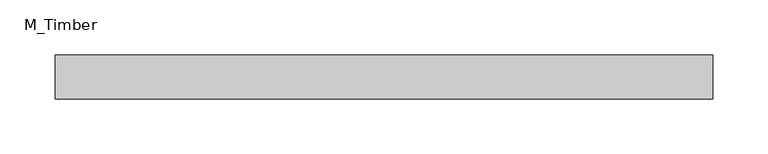
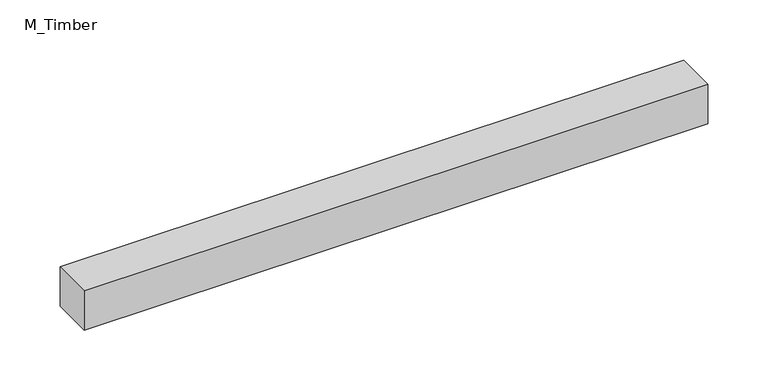
"""IFC4 building model written with IfcOpenShell, lengths in millimetres: beam geometry, M_Timber."""

from ifc_helpers import new_model, si_unit, frame, origin, place, context, project, spatial, polyline, outline, extrude, source, transform, mapped, element, save


def m_timber_326093ab(model_context):
    return source(origin(), model_context, "Body", "SweptSolid", [
        extrude(outline(polyline([(298.2074134, 20.0), (298.2074134, -20.0), (-298.2074134, -20.0), (-298.2074134, 20.0), (298.2074134, 20.0)])), frame((0.0, 0.0, -20.0), z_axis=(0.0, 0.0, 1.0), x_axis=(1.0, 0.0, 0.0)), (0.0, 0.0, 1.0), 40.0),
    ])


if __name__ == "__main__":
    model = new_model("IFC4")
    model_context = context("Model", 3, world=origin())
    ifc_project = project(units=[si_unit("LENGTHUNIT", "METRE", prefix="MILLI")], contexts=[model_context])
    site = spatial("IfcSite", under=ifc_project)
    building = spatial("IfcBuilding", under=site)
    placement = place(None, origin())
    m_timber_shape = m_timber_326093ab(model_context)
    element("IfcBeam", 1, ObjectType="M_Timber", at=placement, inside=building, context=model_context, shape_type="MappedRepresentation", body=[
        mapped(m_timber_shape, transform((0.0, 0.0, 0.0), x_axis=(1.0, 0.0, 0.0), y_axis=(0.0, 1.0, 0.0), z_axis=(0.0, 0.0, 1.0))),
    ])
    save(model, "model.ifc")
